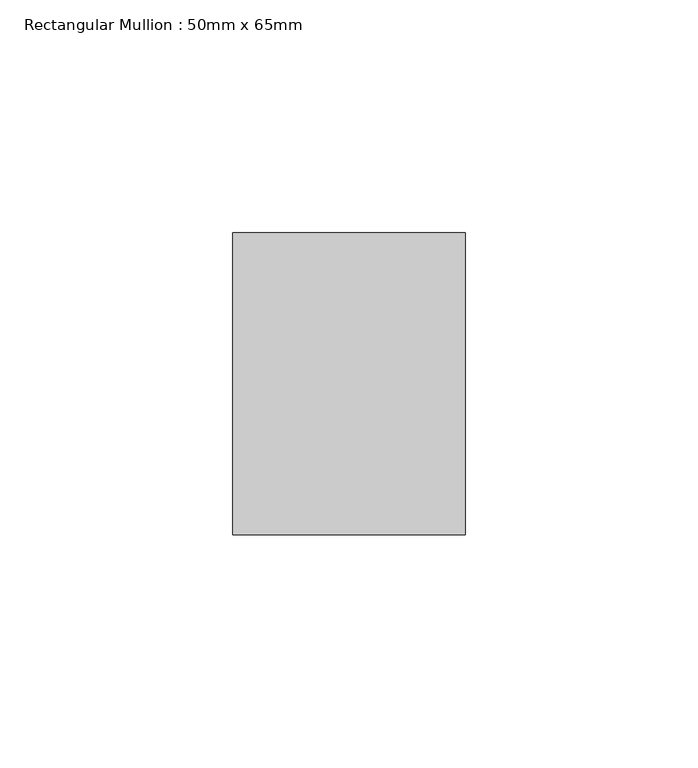
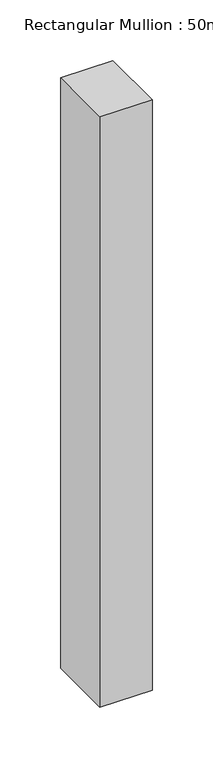
"""IFC4 building model written with IfcOpenShell, lengths in millimetres: member geometry, Rectangular Mullion : 50mm x 65mm."""

import ifcopenshell
import ifcopenshell.guid

model = None  # the IFC model being written
_history = None  # IfcOwnerHistory: only IFC2X3 demands one
_inside = {}  # id of a spatial element -> (the spatial element, [elements in it])
_under = {}  # id of a project, library or spatial element -> (it, [spatial elements below it])
_declared = {}  # id of a project -> (the project, [libraries it declares])
_typed = {}  # id of a type object -> (the type object, [elements of that type])
_made_of = {}  # id of a material, layer set ... -> (it, [elements and type objects made of it])


def new_model(schema):
    """Start an empty IFC model of exactly this schema.

    Asked for "IFC4X3", IfcOpenShell would pick the latest addendum, in which some entities
    have other attributes; the version numbers below select the first issue.
    IFC2X3 requires an IfcOwnerHistory on every rooted entity: one is made here for all.
    """
    global model, _history
    if schema == "IFC4X3":
        model = ifcopenshell.file(schema_version=(4, 3, 0, 0))
    else:
        model = ifcopenshell.file(schema=schema)
    _inside.clear()
    _under.clear()
    _declared.clear()
    _typed.clear()
    _made_of.clear()
    _history = None
    if model.schema == "IFC2X3":
        org = make("IfcOrganization", Name="unknown")
        user = make(
            "IfcPersonAndOrganization",
            ThePerson=make("IfcPerson", FamilyName="unknown"),
            TheOrganization=org,
        )
        app = make(
            "IfcApplication",
            ApplicationDeveloper=org,
            Version="unknown",
            ApplicationFullName="unknown",
            ApplicationIdentifier="unknown",
        )
        _history = make(
            "IfcOwnerHistory",
            OwningUser=user,
            OwningApplication=app,
            ChangeAction="ADDED",
            CreationDate=0,
        )
    return model


def make(cls, **values):
    """One entity of the class cls with the attributes given. An attribute that is None is left unset."""
    return model.create_entity(
        cls, **{name: value for name, value in values.items() if value is not None}
    )


def rooted(cls, **values):
    """An entity with a GlobalId (a new one), such as an element, a storey or a relation."""
    return make(cls, GlobalId=ifcopenshell.guid.new(), OwnerHistory=_history, **values)


def si_unit(unit_type, name, prefix=None):
    """IfcSIUnit, for example si_unit("LENGTHUNIT", "METRE", prefix="MILLI")."""
    return make("IfcSIUnit", UnitType=unit_type, Prefix=prefix, Name=name)


def assignment(units):
    """IfcUnitAssignment: the units of a project."""
    return None if units is None else make("IfcUnitAssignment", Units=units)


def point(xyz):
    """IfcCartesianPoint."""
    return None if xyz is None else make("IfcCartesianPoint", Coordinates=xyz)


def direction(xyz):
    """IfcDirection."""
    return None if xyz is None else make("IfcDirection", DirectionRatios=xyz)


def frame(location, z_axis=None, x_axis=None):
    """IfcAxis2Placement3D, a coordinate frame: its origin and axes. An axis left out is left unset."""
    return make(
        "IfcAxis2Placement3D",
        Location=point(location),
        Axis=direction(z_axis),
        RefDirection=direction(x_axis),
    )


def origin():
    """The frame at (0, 0, 0) with its axes left unset."""
    return frame((0.0, 0.0, 0.0))


def place(relative_to, where):
    """IfcLocalPlacement: puts the frame where relative to a parent placement (None: the world)."""
    return make(
        "IfcLocalPlacement", PlacementRelTo=relative_to, RelativePlacement=where
    )


def context(
    kind, dimensions, precision=None, world=None, true_north=None, identifier=None
):
    """IfcGeometricRepresentationContext, for example the 3D "Model" context."""
    return make(
        "IfcGeometricRepresentationContext",
        ContextIdentifier=identifier,
        ContextType=kind,
        CoordinateSpaceDimension=dimensions,
        Precision=precision,
        WorldCoordinateSystem=world,
        TrueNorth=true_north,
    )


def project(units=None, contexts=None):
    """IfcProject with its units and contexts."""
    return rooted(
        "IfcProject",
        Name="project",
        RepresentationContexts=contexts,
        UnitsInContext=assignment(units),
    )


def spatial(cls, under=None, at=None, **own):
    """A site, building, storey or space (cls), placed at a placement, below another one or the project."""
    s = rooted(cls, ObjectPlacement=at, **own)
    if under is not None:
        _under.setdefault(under.id(), (under, []))[1].append(s)
    return s


def polyline(points):
    """IfcPolyline through the points."""
    return make("IfcPolyline", Points=[point(p) for p in points])


def outline(outer, holes=None, kind="AREA"):
    """IfcArbitraryClosedProfileDef: a profile drawn as a closed curve; with holes, ...WithVoids."""
    if holes is None:
        return make("IfcArbitraryClosedProfileDef", ProfileType=kind, OuterCurve=outer)
    return make(
        "IfcArbitraryProfileDefWithVoids",
        ProfileType=kind,
        OuterCurve=outer,
        InnerCurves=holes,
    )


def extrude(swept, where, along, depth):
    """IfcExtrudedAreaSolid: the profile swept, set in the frame where, extruded along a direction by depth."""
    return make(
        "IfcExtrudedAreaSolid",
        SweptArea=swept,
        Position=where,
        ExtrudedDirection=direction(along),
        Depth=depth,
    )


def shape(context_of_items, identifier, shape_type, items):
    """IfcShapeRepresentation: the items that make up one representation, for example the "Body"."""
    return make(
        "IfcShapeRepresentation",
        ContextOfItems=context_of_items,
        RepresentationIdentifier=identifier,
        RepresentationType=shape_type,
        Items=items,
    )


def source(mapping_origin, context_of_items, identifier, shape_type, items):
    """IfcRepresentationMap: a shape defined once, which mapped items show again and again."""
    return make(
        "IfcRepresentationMap",
        MappingOrigin=mapping_origin,
        MappedRepresentation=shape(context_of_items, identifier, shape_type, items),
    )


def transform(
    local_origin,
    x_axis=None,
    y_axis=None,
    z_axis=None,
    scale=None,
    scale2=None,
    scale3=None,
    uniform=True,
):
    """IfcCartesianTransformationOperator3D, or its non-uniform kind. x_axis, y_axis, z_axis: its Axis1, 2, 3."""
    if uniform:
        return make(
            "IfcCartesianTransformationOperator3D",
            Axis1=direction(x_axis),
            Axis2=direction(y_axis),
            LocalOrigin=point(local_origin),
            Scale=scale,
            Axis3=direction(z_axis),
        )
    return make(
        "IfcCartesianTransformationOperator3DnonUniform",
        Axis1=direction(x_axis),
        Axis2=direction(y_axis),
        LocalOrigin=point(local_origin),
        Scale=scale,
        Axis3=direction(z_axis),
        Scale2=scale2,
        Scale3=scale3,
    )


def mapped(mapping_source, mapping_target):
    """IfcMappedItem: shows the shape of a source again, moved by a transform."""
    return make(
        "IfcMappedItem", MappingSource=mapping_source, MappingTarget=mapping_target
    )


def made_of(thing, what):
    """Note that an element or type object is made of a material, layer set ...; save() writes the relation."""
    if what is not None:
        _made_of.setdefault(what.id(), (what, []))[1].append(thing)
    return thing


def element(
    cls,
    number,
    at=None,
    inside=None,
    cuts=None,
    type_object=None,
    material=None,
    context=None,
    identifier="Body",
    shape_type=None,
    held_by="IfcProductDefinitionShape",
    body=None,
    shapes=None,
    **own,
):
    """One element of the class cls, such as IfcWall. Its Tag is "e" and its number.

    at: its placement. inside: the storey or other place that contains it. cuts: it is an
    opening in that element (IfcRelVoidsElement). A single representation is given by context,
    identifier, shape_type and body (its items); several are given by shapes. held_by: the class
    of the entity that holds the representations. save() writes the other relations.
    """
    e = rooted(cls, Tag="e%d" % number, ObjectPlacement=at, **own)
    if body is not None:
        shapes = [shape(context, identifier, shape_type, body)]
    if shapes is not None:
        e.Representation = make(held_by, Representations=shapes)
    if inside is not None:
        _inside.setdefault(inside.id(), (inside, []))[1].append(e)
    if cuts is not None:
        rooted(
            "IfcRelVoidsElement", RelatingBuildingElement=cuts, RelatedOpeningElement=e
        )
    if type_object is not None:
        _typed.setdefault(type_object.id(), (type_object, []))[1].append(e)
    return made_of(e, material)


def aggregate(whole, parts):
    """IfcRelAggregates: a whole, such as a stair, and the parts it consists of."""
    return rooted("IfcRelAggregates", RelatingObject=whole, RelatedObjects=parts)


def save(model, path):
    """Write the relations noted so far, then the file.

    IfcRelAggregates (storeys below a building ...), IfcRelContainedInSpatialStructure (elements
    in a storey), IfcRelDefinesByType, IfcRelAssociatesMaterial and IfcRelDeclares: one each for
    every whole, place, type object, material and project.
    """
    for whole, parts in _under.values():
        aggregate(whole, parts)
    for where, things in _inside.values():
        rooted(
            "IfcRelContainedInSpatialStructure",
            RelatedElements=things,
            RelatingStructure=where,
        )
    for kind, things in _typed.values():
        rooted("IfcRelDefinesByType", RelatedObjects=things, RelatingType=kind)
    for what, things in _made_of.values():
        rooted("IfcRelAssociatesMaterial", RelatedObjects=things, RelatingMaterial=what)
    for by, libraries in _declared.values():
        rooted("IfcRelDeclares", RelatingContext=by, RelatedDefinitions=libraries)
    model.write(path)


def rectangular_mullion_50mm_x_65mm_da0feba0(model_context):
    return source(origin(), model_context, "Body", "SweptSolid", [
        extrude(outline(polyline([(25.0, 32.5), (25.0, -32.5), (-25.0, -32.5), (-25.0, 32.5), (25.0, 32.5)])), frame((0.0, 0.0, -595.7756034), z_axis=(0.0, 0.0, 1.0), x_axis=(1.0, 0.0, 0.0)), (0.0, 0.0, 1.0), 595.7756034),
    ])


if __name__ == "__main__":
    model = new_model("IFC4")
    model_context = context("Model", 3, world=origin())
    ifc_project = project(units=[si_unit("LENGTHUNIT", "METRE", prefix="MILLI")], contexts=[model_context])
    site = spatial("IfcSite", under=ifc_project)
    building = spatial("IfcBuilding", under=site)
    placement = place(None, origin())
    rectangular_mullion_50mm_x_65mm_shape = rectangular_mullion_50mm_x_65mm_da0feba0(model_context)
    element("IfcMember", 1, ObjectType="Rectangular Mullion : 50mm x 65mm", at=placement, inside=building, context=model_context, shape_type="MappedRepresentation", body=[
        mapped(rectangular_mullion_50mm_x_65mm_shape, transform((0.0, 0.0, 0.0), x_axis=(1.0, 0.0, 0.0), y_axis=(0.0, 1.0, 0.0), z_axis=(0.0, 0.0, 1.0))),
    ])
    save(model, "model.ifc")
